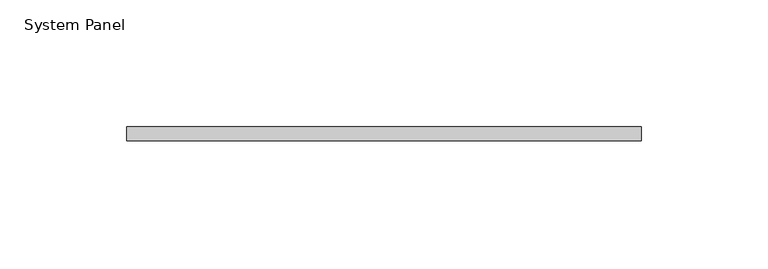
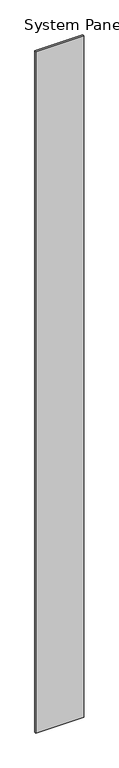
"""IFC4 building model written with IfcOpenShell, lengths in millimetres: plate geometry, System Panel."""

from ifc_helpers import new_model, si_unit, origin, origin_with_axes, place, context, project, spatial, polyline, outline, extrude, source, transform, mapped, element, save


def system_panel_159db962(model_context):
    return source(origin(), model_context, "Body", "SweptSolid", [
        extrude(outline(polyline([(101.6, -5.55625), (-101.6, -5.55625), (-101.6, 0.0), (101.6, 0.0), (101.6, -5.55625)])), origin_with_axes(), (0.0, 0.0, 1.0), 3048.0),
    ])


if __name__ == "__main__":
    model = new_model("IFC4")
    model_context = context("Model", 3, world=origin())
    ifc_project = project(units=[si_unit("LENGTHUNIT", "METRE", prefix="MILLI")], contexts=[model_context])
    site = spatial("IfcSite", under=ifc_project)
    building = spatial("IfcBuilding", under=site)
    placement = place(None, origin())
    system_panel_shape = system_panel_159db962(model_context)
    element("IfcPlate", 1, ObjectType="System Panel", at=placement, inside=building, context=model_context, shape_type="MappedRepresentation", body=[
        mapped(system_panel_shape, transform((0.0, 0.0, 0.0), x_axis=(1.0, 0.0, 0.0), y_axis=(0.0, 1.0, 0.0), z_axis=(0.0, 0.0, 1.0))),
    ])
    save(model, "model.ifc")
